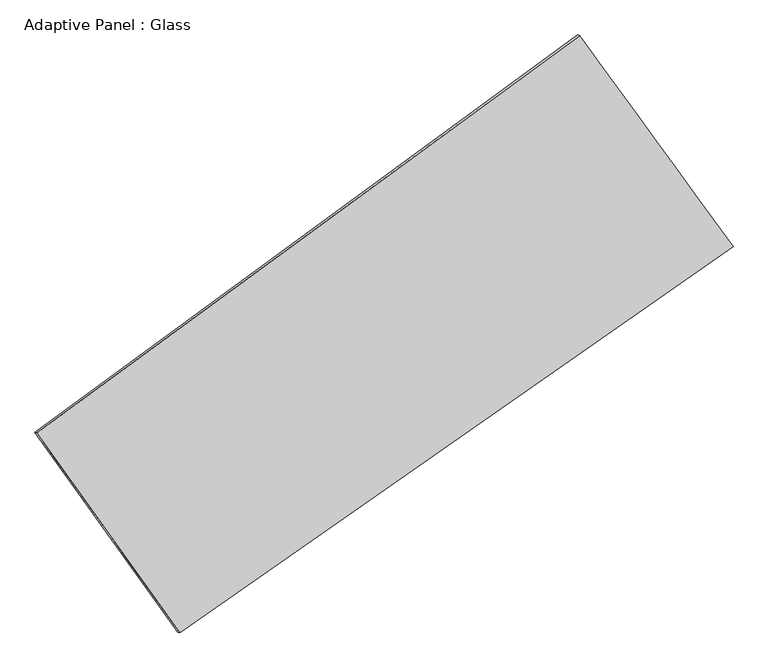
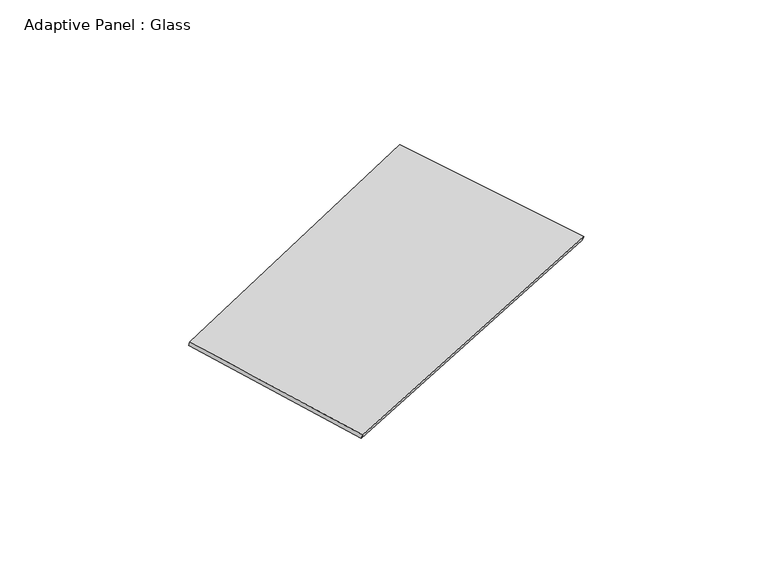
"""IFC4 building model written with IfcOpenShell, lengths in millimetres: plate geometry, Adaptive Panel : Glass."""

from ifc_helpers import new_model, si_unit, frame, origin, place, context, project, spatial, source, transform, mapped, element, save
from ifc_brep_helpers import plane_surface, spline_surface, advanced_brep


def adaptive_panel_glass_ecd3335f(model_context):
    return source(origin(), model_context, "Body", "AdvancedBrep", [
        advanced_brep(
        [(1050.0300429, 2499.2146294, 674.3773329), (-3629.1033943, -928.8621385, 1703.1701475), (-3614.4370384, -935.242232, 1750.5430555), (1064.6963987, 2492.8345359, 721.7502409), (-2397.0709863, -2650.5439366, 1046.9733719), (-2382.4046305, -2656.92403, 1094.3462799), (2372.8537596, 679.9428728, 60.601668), (2387.5201154, 673.5627794, 107.974576)],
        [
            (0, 1),
            (1, 2),
            (2, 3),
            (3, 0),
            (1, 4),
            (4, 5),
            (5, 2),
            (4, 6),
            (6, 7),
            (7, 5),
            (6, 0),
            (3, 7),
        ],
        [
            plane_surface(frame((-1289.5366757, 785.1762454, 1188.7737402), z_axis=(-0.529066381511167, 0.8037899904848974, 0.2720485529293788), x_axis=(-0.7942789777256006, -0.5819131570771776, 0.17463671768458916))),
            plane_surface(frame((-3013.0871903, -1789.7030375, 1375.0717597), z_axis=(-0.773866108471831, -0.6135952392632613, 0.1569462599494671), x_axis=(0.5558564076489247, -0.776771660523307, -0.2960564836032085))),
            plane_surface(frame((-12.1086134, -985.3005319, 553.7875199), z_axis=(0.5134553796996963, -0.8149561340182748, -0.26871931952025385), x_axis=(0.8083776020278437, 0.5644304855968983, -0.16716422903409286))),
            plane_surface(frame((1711.4419012, 1589.5787511, 367.4895004), z_axis=(0.7729689919252595, 0.6148384738417066, -0.15650108180472522), x_axis=(-0.5673472471544624, 0.7802693661316525, 0.2632428867467507))),
            spline_surface(1, 1, [[(-3614.4370384, -935.242232, 1750.5430555), (1064.6963987, 2492.8345359, 721.7502409)], [(-2382.4046305, -2656.92403, 1094.3462799), (2387.5201154, 673.5627794, 107.974576)]], [2, 2], [2, 2], [0.0, 1.0], [0.0, 1.0]),
            spline_surface(1, 1, [[(2372.8537596, 679.9428728, 60.601668), (1050.0300429, 2499.2146294, 674.3773329)], [(-2397.0709863, -2650.5439366, 1046.9733719), (-3629.1033943, -928.8621385, 1703.1701475)]], [2, 2], [2, 2], [0.0, 1.0], [0.0, 1.0]),
        ],
        [
            (0, [[1, 2, 3, 4]]),
            (1, [[5, 6, 7, -2]]),
            (2, [[8, 9, 10, -6]]),
            (3, [[11, -4, 12, -9]]),
            (4, [[-3, -7, -10, -12]]),
            (5, [[-11, -8, -5, -1]]),
        ],
    ),
    ])


if __name__ == "__main__":
    model = new_model("IFC4")
    model_context = context("Model", 3, world=origin())
    ifc_project = project(units=[si_unit("LENGTHUNIT", "METRE", prefix="MILLI")], contexts=[model_context])
    site = spatial("IfcSite", under=ifc_project)
    building = spatial("IfcBuilding", under=site)
    placement = place(None, origin())
    adaptive_panel_glass_shape = adaptive_panel_glass_ecd3335f(model_context)
    element("IfcPlate", 1, ObjectType="Adaptive Panel : Glass", at=placement, inside=building, context=model_context, shape_type="MappedRepresentation", body=[
        mapped(adaptive_panel_glass_shape, transform((0.0, 0.0, 0.0), x_axis=(1.0, 0.0, 0.0), y_axis=(0.0, 1.0, 0.0), z_axis=(0.0, 0.0, 1.0))),
    ])
    save(model, "model.ifc")
